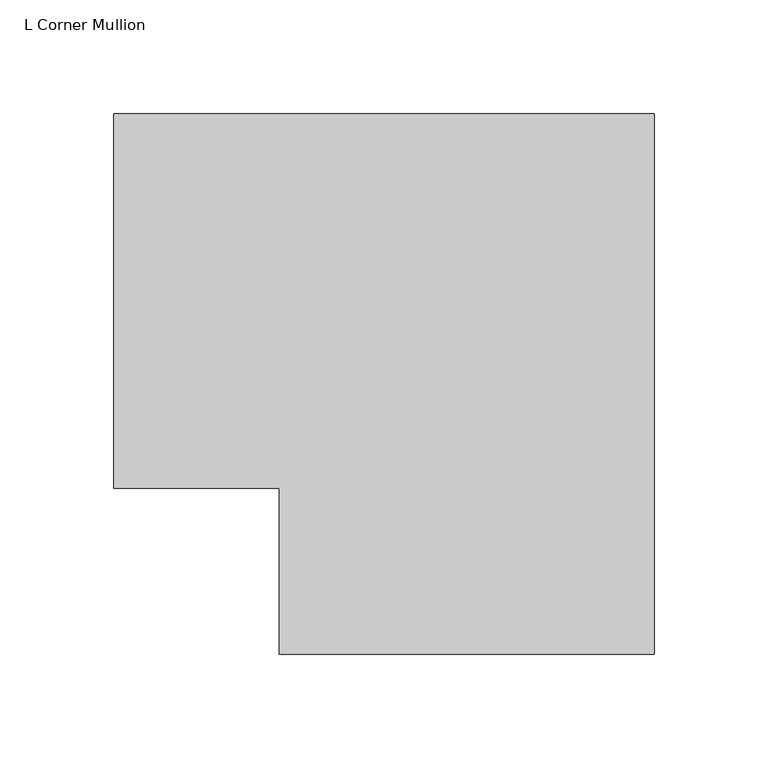
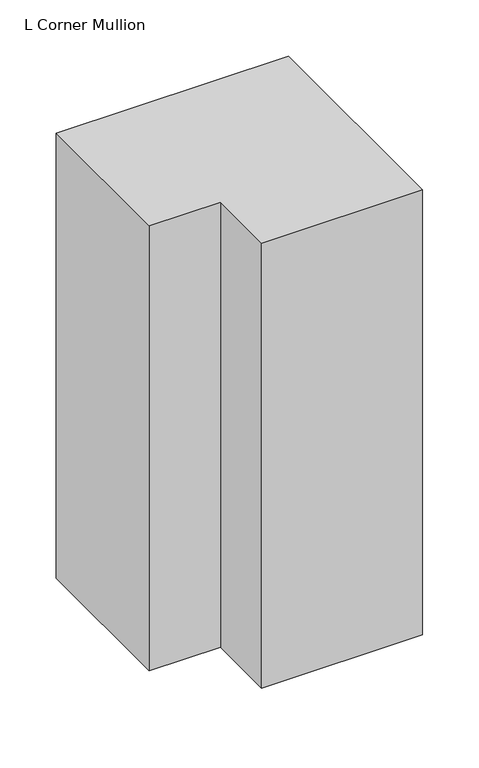
"""IFC4 building model written with IfcOpenShell, lengths in millimetres: member geometry, L Corner Mullion."""

import ifcopenshell
import ifcopenshell.guid

model = None  # the IFC model being written
_history = None  # IfcOwnerHistory: only IFC2X3 demands one
_inside = {}  # id of a spatial element -> (the spatial element, [elements in it])
_under = {}  # id of a project, library or spatial element -> (it, [spatial elements below it])
_declared = {}  # id of a project -> (the project, [libraries it declares])
_typed = {}  # id of a type object -> (the type object, [elements of that type])
_made_of = {}  # id of a material, layer set ... -> (it, [elements and type objects made of it])


def new_model(schema):
    """Start an empty IFC model of exactly this schema.

    Asked for "IFC4X3", IfcOpenShell would pick the latest addendum, in which some entities
    have other attributes; the version numbers below select the first issue.
    IFC2X3 requires an IfcOwnerHistory on every rooted entity: one is made here for all.
    """
    global model, _history
    if schema == "IFC4X3":
        model = ifcopenshell.file(schema_version=(4, 3, 0, 0))
    else:
        model = ifcopenshell.file(schema=schema)
    _inside.clear()
    _under.clear()
    _declared.clear()
    _typed.clear()
    _made_of.clear()
    _history = None
    if model.schema == "IFC2X3":
        org = make("IfcOrganization", Name="unknown")
        user = make(
            "IfcPersonAndOrganization",
            ThePerson=make("IfcPerson", FamilyName="unknown"),
            TheOrganization=org,
        )
        app = make(
            "IfcApplication",
            ApplicationDeveloper=org,
            Version="unknown",
            ApplicationFullName="unknown",
            ApplicationIdentifier="unknown",
        )
        _history = make(
            "IfcOwnerHistory",
            OwningUser=user,
            OwningApplication=app,
            ChangeAction="ADDED",
            CreationDate=0,
        )
    return model


def make(cls, **values):
    """One entity of the class cls with the attributes given. An attribute that is None is left unset."""
    return model.create_entity(
        cls, **{name: value for name, value in values.items() if value is not None}
    )


def rooted(cls, **values):
    """An entity with a GlobalId (a new one), such as an element, a storey or a relation."""
    return make(cls, GlobalId=ifcopenshell.guid.new(), OwnerHistory=_history, **values)


def si_unit(unit_type, name, prefix=None):
    """IfcSIUnit, for example si_unit("LENGTHUNIT", "METRE", prefix="MILLI")."""
    return make("IfcSIUnit", UnitType=unit_type, Prefix=prefix, Name=name)


def assignment(units):
    """IfcUnitAssignment: the units of a project."""
    return None if units is None else make("IfcUnitAssignment", Units=units)


def point(xyz):
    """IfcCartesianPoint."""
    return None if xyz is None else make("IfcCartesianPoint", Coordinates=xyz)


def direction(xyz):
    """IfcDirection."""
    return None if xyz is None else make("IfcDirection", DirectionRatios=xyz)


def frame(location, z_axis=None, x_axis=None):
    """IfcAxis2Placement3D, a coordinate frame: its origin and axes. An axis left out is left unset."""
    return make(
        "IfcAxis2Placement3D",
        Location=point(location),
        Axis=direction(z_axis),
        RefDirection=direction(x_axis),
    )


def origin():
    """The frame at (0, 0, 0) with its axes left unset."""
    return frame((0.0, 0.0, 0.0))


def place(relative_to, where):
    """IfcLocalPlacement: puts the frame where relative to a parent placement (None: the world)."""
    return make(
        "IfcLocalPlacement", PlacementRelTo=relative_to, RelativePlacement=where
    )


def context(
    kind, dimensions, precision=None, world=None, true_north=None, identifier=None
):
    """IfcGeometricRepresentationContext, for example the 3D "Model" context."""
    return make(
        "IfcGeometricRepresentationContext",
        ContextIdentifier=identifier,
        ContextType=kind,
        CoordinateSpaceDimension=dimensions,
        Precision=precision,
        WorldCoordinateSystem=world,
        TrueNorth=true_north,
    )


def project(units=None, contexts=None):
    """IfcProject with its units and contexts."""
    return rooted(
        "IfcProject",
        Name="project",
        RepresentationContexts=contexts,
        UnitsInContext=assignment(units),
    )


def spatial(cls, under=None, at=None, **own):
    """A site, building, storey or space (cls), placed at a placement, below another one or the project."""
    s = rooted(cls, ObjectPlacement=at, **own)
    if under is not None:
        _under.setdefault(under.id(), (under, []))[1].append(s)
    return s


def polyline(points):
    """IfcPolyline through the points."""
    return make("IfcPolyline", Points=[point(p) for p in points])


def outline(outer, holes=None, kind="AREA"):
    """IfcArbitraryClosedProfileDef: a profile drawn as a closed curve; with holes, ...WithVoids."""
    if holes is None:
        return make("IfcArbitraryClosedProfileDef", ProfileType=kind, OuterCurve=outer)
    return make(
        "IfcArbitraryProfileDefWithVoids",
        ProfileType=kind,
        OuterCurve=outer,
        InnerCurves=holes,
    )


def extrude(swept, where, along, depth):
    """IfcExtrudedAreaSolid: the profile swept, set in the frame where, extruded along a direction by depth."""
    return make(
        "IfcExtrudedAreaSolid",
        SweptArea=swept,
        Position=where,
        ExtrudedDirection=direction(along),
        Depth=depth,
    )


def shape(context_of_items, identifier, shape_type, items):
    """IfcShapeRepresentation: the items that make up one representation, for example the "Body"."""
    return make(
        "IfcShapeRepresentation",
        ContextOfItems=context_of_items,
        RepresentationIdentifier=identifier,
        RepresentationType=shape_type,
        Items=items,
    )


def source(mapping_origin, context_of_items, identifier, shape_type, items):
    """IfcRepresentationMap: a shape defined once, which mapped items show again and again."""
    return make(
        "IfcRepresentationMap",
        MappingOrigin=mapping_origin,
        MappedRepresentation=shape(context_of_items, identifier, shape_type, items),
    )


def transform(
    local_origin,
    x_axis=None,
    y_axis=None,
    z_axis=None,
    scale=None,
    scale2=None,
    scale3=None,
    uniform=True,
):
    """IfcCartesianTransformationOperator3D, or its non-uniform kind. x_axis, y_axis, z_axis: its Axis1, 2, 3."""
    if uniform:
        return make(
            "IfcCartesianTransformationOperator3D",
            Axis1=direction(x_axis),
            Axis2=direction(y_axis),
            LocalOrigin=point(local_origin),
            Scale=scale,
            Axis3=direction(z_axis),
        )
    return make(
        "IfcCartesianTransformationOperator3DnonUniform",
        Axis1=direction(x_axis),
        Axis2=direction(y_axis),
        LocalOrigin=point(local_origin),
        Scale=scale,
        Axis3=direction(z_axis),
        Scale2=scale2,
        Scale3=scale3,
    )


def mapped(mapping_source, mapping_target):
    """IfcMappedItem: shows the shape of a source again, moved by a transform."""
    return make(
        "IfcMappedItem", MappingSource=mapping_source, MappingTarget=mapping_target
    )


def made_of(thing, what):
    """Note that an element or type object is made of a material, layer set ...; save() writes the relation."""
    if what is not None:
        _made_of.setdefault(what.id(), (what, []))[1].append(thing)
    return thing


def element(
    cls,
    number,
    at=None,
    inside=None,
    cuts=None,
    type_object=None,
    material=None,
    context=None,
    identifier="Body",
    shape_type=None,
    held_by="IfcProductDefinitionShape",
    body=None,
    shapes=None,
    **own,
):
    """One element of the class cls, such as IfcWall. Its Tag is "e" and its number.

    at: its placement. inside: the storey or other place that contains it. cuts: it is an
    opening in that element (IfcRelVoidsElement). A single representation is given by context,
    identifier, shape_type and body (its items); several are given by shapes. held_by: the class
    of the entity that holds the representations. save() writes the other relations.
    """
    e = rooted(cls, Tag="e%d" % number, ObjectPlacement=at, **own)
    if body is not None:
        shapes = [shape(context, identifier, shape_type, body)]
    if shapes is not None:
        e.Representation = make(held_by, Representations=shapes)
    if inside is not None:
        _inside.setdefault(inside.id(), (inside, []))[1].append(e)
    if cuts is not None:
        rooted(
            "IfcRelVoidsElement", RelatingBuildingElement=cuts, RelatedOpeningElement=e
        )
    if type_object is not None:
        _typed.setdefault(type_object.id(), (type_object, []))[1].append(e)
    return made_of(e, material)


def aggregate(whole, parts):
    """IfcRelAggregates: a whole, such as a stair, and the parts it consists of."""
    return rooted("IfcRelAggregates", RelatingObject=whole, RelatedObjects=parts)


def save(model, path):
    """Write the relations noted so far, then the file.

    IfcRelAggregates (storeys below a building ...), IfcRelContainedInSpatialStructure (elements
    in a storey), IfcRelDefinesByType, IfcRelAssociatesMaterial and IfcRelDeclares: one each for
    every whole, place, type object, material and project.
    """
    for whole, parts in _under.values():
        aggregate(whole, parts)
    for where, things in _inside.values():
        rooted(
            "IfcRelContainedInSpatialStructure",
            RelatedElements=things,
            RelatingStructure=where,
        )
    for kind, things in _typed.values():
        rooted("IfcRelDefinesByType", RelatedObjects=things, RelatingType=kind)
    for what, things in _made_of.values():
        rooted("IfcRelAssociatesMaterial", RelatedObjects=things, RelatingMaterial=what)
    for by, libraries in _declared.values():
        rooted("IfcRelDeclares", RelatingContext=by, RelatedDefinitions=libraries)
    model.write(path)


def l_corner_mullion_9d731035(model_context):
    return source(origin(), model_context, "Body", "SweptSolid", [
        extrude(outline(polyline([(-12.7, -85.725), (-12.7, -12.7), (-85.725, -12.7), (-85.725, 152.4), (152.4, 152.4), (152.4, -85.725), (-12.7, -85.725)])), frame((0.0, 0.0, -482.1103332), z_axis=(0.0, 0.0, 1.0), x_axis=(1.0, 0.0, 0.0)), (0.0, 0.0, 1.0), 482.1103332),
    ])


if __name__ == "__main__":
    model = new_model("IFC4")
    model_context = context("Model", 3, world=origin())
    ifc_project = project(units=[si_unit("LENGTHUNIT", "METRE", prefix="MILLI")], contexts=[model_context])
    site = spatial("IfcSite", under=ifc_project)
    building = spatial("IfcBuilding", under=site)
    placement = place(None, origin())
    l_corner_mullion_shape = l_corner_mullion_9d731035(model_context)
    element("IfcMember", 1, ObjectType="L Corner Mullion", at=placement, inside=building, context=model_context, shape_type="MappedRepresentation", body=[
        mapped(l_corner_mullion_shape, transform((0.0, 0.0, 0.0), x_axis=(1.0, 0.0, 0.0), y_axis=(0.0, 1.0, 0.0), z_axis=(0.0, 0.0, 1.0))),
    ])
    save(model, "model.ifc")
